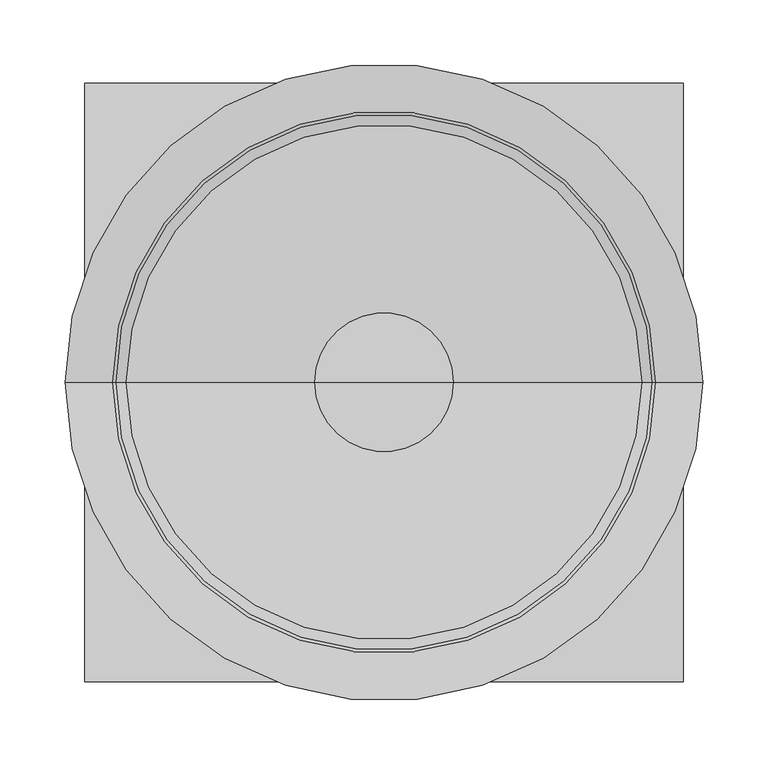
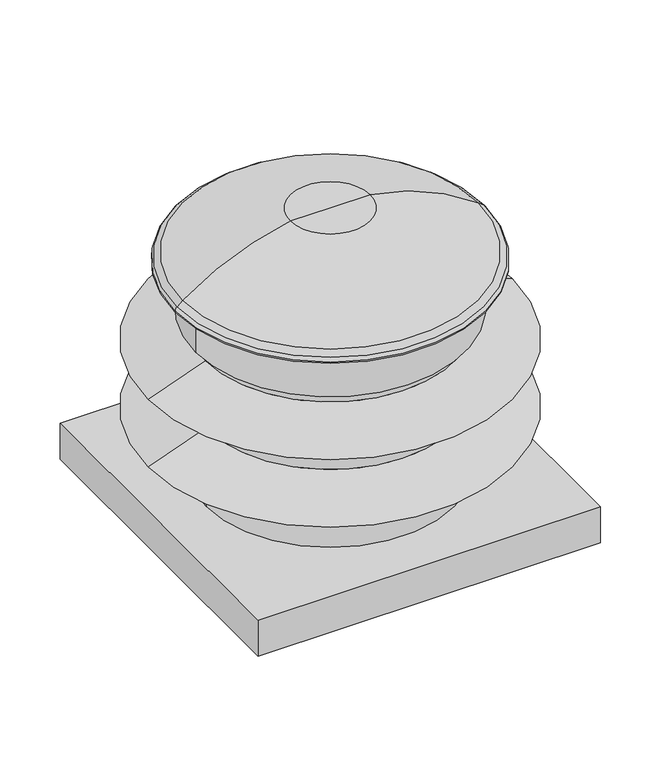
"""IFC4 building model written with IfcOpenShell, lengths in millimetres: proxy geometry."""

from ifc_helpers import new_model, si_unit, point, frame, origin, origin_with_axes, origin_2d, place, context, project, spatial, polyline, circle_curve, ellipse_curve, trimmed, segment, composite_curve, outline, extrude, source, transform, mapped, element, save
from ifc_brep_helpers import plane_surface, cylinder_surface, revolved_surface, advanced_brep


def generic_models_94002e76(model_context):
    return source(origin(), model_context, "Body", "SolidModel", [
        extrude(outline(composite_curve([segment(trimmed(circle_curve(origin_2d(), 88.9), [point((-88.9, 0.0))], [point((88.9, 0.0))], False, "CARTESIAN"), True, "CONTINUOUS"), segment(trimmed(circle_curve(origin_2d(), 88.9), [point((88.9, 0.0))], [point((-88.9, 0.0))], False, "CARTESIAN"), True, "CONTINUOUS")], self_intersect=False)), frame((0.0, 0.0, -43.0869459), z_axis=(0.0, 0.0, 1.0), x_axis=(1.0, 0.0, 0.0)), (0.0, 0.0, 1.0), 43.0869459),
        extrude(outline(composite_curve([segment(trimmed(circle_curve(origin_2d(), 50.8), [point((-50.8, 0.0))], [point((50.8, 0.0))], False, "CARTESIAN"), True, "CONTINUOUS"), segment(trimmed(circle_curve(origin_2d(), 50.8), [point((50.8, 0.0))], [point((-50.8, 0.0))], False, "CARTESIAN"), True, "CONTINUOUS")], self_intersect=False)), frame((0.0, 0.0, -83.4032796), z_axis=(0.0, 0.0, 1.0), x_axis=(1.0, 0.0, 0.0)), (0.0, 0.0, 1.0), 40.3163337),
        advanced_brep(
        [(0.0, 0.0, 50.8), (-165.8573818, 0.0, 50.8), (165.8573818, 0.0, 50.8), (52.876521, 0.0, 413.3707091), (-52.876521, 0.0, 413.3707091), (0.0, 0.0, 413.3707091), (196.7443577, 0.0, 351.903134), (-196.7443577, 0.0, 351.903134), (204.6270341, 0.0, 345.779513), (-204.6270341, 0.0, 345.779513), (207.0053818, 0.0, 340.8248709), (-207.0053818, 0.0, 340.8248709), (207.0053818, 0.0, 338.9048632), (-207.0053818, 0.0, 338.9048632), (179.4452476, 0.0, 338.9048632), (-179.4452476, 0.0, 338.9048632), (179.4452476, 0.0, 272.5856917), (-179.4452476, 0.0, 272.5856917), (166.684502, 0.0, 272.5856917), (-166.684502, 0.0, 272.5856917), (166.684502, 0.0, 256.391543), (-166.684502, 0.0, 256.391543), (243.2625378, 0.0, 228.5194174), (-243.2625378, 0.0, 228.5194174), (166.8733813, 0.0, 228.5194174), (-166.8733813, 0.0, 228.5194174), (166.8733813, 0.0, 161.2125596), (-166.8733813, 0.0, 161.2125596), (243.2627014, 0.0, 133.4091209), (-243.2627014, 0.0, 133.4091209), (165.8573818, 0.0, 133.4091209), (-165.8573818, 0.0, 133.4091209)],
        [
            (0, 1),
            (1, 2, circle_curve(frame((0.0, 0.0, 50.8), z_axis=(0.0, 0.0, -1.0), x_axis=(-1.0, 0.0, 0.0)), 165.8573818)),
            (2, 0),
            (2, 1, circle_curve(frame((0.0, 0.0, 50.8), z_axis=(0.0, 0.0, -1.0), x_axis=(-1.0, 0.0, 0.0)), 165.8573818)),
            (3, 4, circle_curve(frame((0.0, 0.0, 413.3707091), z_axis=(0.0, 0.0, 1.0), x_axis=(-1.0, 0.0, 0.0)), 52.876521)),
            (4, 5),
            (5, 3),
            (4, 3, circle_curve(frame((0.0, 0.0, 413.3707091), z_axis=(0.0, 0.0, 1.0), x_axis=(-1.0, 0.0, 0.0)), 52.876521)),
            (6, 7, circle_curve(frame((0.0, 0.0, 351.903134), z_axis=(0.0, 0.0, 1.0), x_axis=(-1.0, 0.0, 0.0)), 196.7443577)),
            (7, 4, circle_curve(frame((0.0046182, 0.0, 90.5012337), z_axis=(0.0, 1.0, 0.0), x_axis=(1.0, 0.0, 0.0)), 327.1713817)),
            (3, 6, circle_curve(frame((-0.0046182, 0.0, 90.5012337), z_axis=(0.0, 1.0, 0.0), x_axis=(-1.0, 0.0, 0.0)), 327.1713817)),
            (7, 6, circle_curve(frame((0.0, 0.0, 351.903134), z_axis=(0.0, 0.0, 1.0), x_axis=(-1.0, 0.0, 0.0)), 196.7443577)),
            (8, 9, circle_curve(frame((0.0, 0.0, 345.779513), z_axis=(0.0, 0.0, 1.0), x_axis=(-1.0, 0.0, 0.0)), 204.6270341)),
            (9, 7, circle_curve(frame((0.0046182, 0.0, 90.5012337), z_axis=(0.0, 1.0, 0.0), x_axis=(1.0, 0.0, 0.0)), 327.1713817)),
            (6, 8, circle_curve(frame((-0.0046182, 0.0, 90.5012337), z_axis=(0.0, 1.0, 0.0), x_axis=(-1.0, 0.0, 0.0)), 327.1713817)),
            (9, 8, circle_curve(frame((0.0, 0.0, 345.779513), z_axis=(0.0, 0.0, 1.0), x_axis=(-1.0, 0.0, 0.0)), 204.6270341)),
            (10, 11, circle_curve(frame((0.0, 0.0, 340.8248709), z_axis=(0.0, 0.0, 1.0), x_axis=(-1.0, 0.0, 0.0)), 207.0053818)),
            (11, 9, circle_curve(frame((-200.6553818, 0.0, 340.8248709), z_axis=(0.0, 1.0, 0.0), x_axis=(1.0, 0.0, 0.0)), 6.35)),
            (8, 10, circle_curve(frame((200.6553818, 0.0, 340.8248709), z_axis=(0.0, 1.0, 0.0), x_axis=(-1.0, 0.0, 0.0)), 6.35)),
            (11, 10, circle_curve(frame((0.0, 0.0, 340.8248709), z_axis=(0.0, 0.0, 1.0), x_axis=(-1.0, 0.0, 0.0)), 207.0053818)),
            (12, 13, circle_curve(frame((0.0, 0.0, 338.9048632), z_axis=(0.0, 0.0, 1.0), x_axis=(-1.0, 0.0, 0.0)), 207.0053818)),
            (13, 11),
            (10, 12),
            (13, 12, circle_curve(frame((0.0, 0.0, 338.9048632), z_axis=(0.0, 0.0, 1.0), x_axis=(-1.0, 0.0, 0.0)), 207.0053818)),
            (14, 15, circle_curve(frame((0.0, 0.0, 338.9048632), z_axis=(0.0, 0.0, 1.0), x_axis=(-1.0, 0.0, 0.0)), 179.4452476)),
            (15, 13),
            (12, 14),
            (15, 14, circle_curve(frame((0.0, 0.0, 338.9048632), z_axis=(0.0, 0.0, 1.0), x_axis=(-1.0, 0.0, 0.0)), 179.4452476)),
            (16, 17, circle_curve(frame((0.0, 0.0, 272.5856917), z_axis=(0.0, 0.0, 1.0), x_axis=(-1.0, 0.0, 0.0)), 179.4452476)),
            (17, 15),
            (14, 16),
            (17, 16, circle_curve(frame((0.0, 0.0, 272.5856917), z_axis=(0.0, 0.0, 1.0), x_axis=(-1.0, 0.0, 0.0)), 179.4452476)),
            (18, 19, circle_curve(frame((0.0, 0.0, 272.5856917), z_axis=(0.0, 0.0, 1.0), x_axis=(-1.0, 0.0, 0.0)), 166.684502)),
            (19, 17),
            (16, 18),
            (19, 18, circle_curve(frame((0.0, 0.0, 272.5856917), z_axis=(0.0, 0.0, 1.0), x_axis=(-1.0, 0.0, 0.0)), 166.684502)),
            (20, 21, circle_curve(frame((0.0, 0.0, 256.391543), z_axis=(0.0, 0.0, 1.0), x_axis=(-1.0, 0.0, 0.0)), 166.684502)),
            (21, 19),
            (18, 20),
            (21, 20, circle_curve(frame((0.0, 0.0, 256.391543), z_axis=(0.0, 0.0, 1.0), x_axis=(-1.0, 0.0, 0.0)), 166.684502)),
            (22, 23, circle_curve(frame((0.0, 0.0, 228.5194174), z_axis=(0.0, 0.0, 1.0), x_axis=(-1.0, 0.0, 0.0)), 243.2625378)),
            (23, 21),
            (20, 22),
            (23, 22, circle_curve(frame((0.0, 0.0, 228.5194174), z_axis=(0.0, 0.0, 1.0), x_axis=(-1.0, 0.0, 0.0)), 243.2625378)),
            (24, 25, circle_curve(frame((0.0, 0.0, 228.5194174), z_axis=(0.0, 0.0, 1.0), x_axis=(-1.0, 0.0, 0.0)), 166.8733813)),
            (25, 23),
            (22, 24),
            (25, 24, circle_curve(frame((0.0, 0.0, 228.5194174), z_axis=(0.0, 0.0, 1.0), x_axis=(-1.0, 0.0, 0.0)), 166.8733813)),
            (26, 27, circle_curve(frame((0.0, 0.0, 161.2125596), z_axis=(0.0, 0.0, 1.0), x_axis=(-1.0, 0.0, 0.0)), 166.8733813)),
            (27, 25),
            (24, 26),
            (27, 26, circle_curve(frame((0.0, 0.0, 161.2125596), z_axis=(0.0, 0.0, 1.0), x_axis=(-1.0, 0.0, 0.0)), 166.8733813)),
            (28, 29, circle_curve(frame((0.0, 0.0, 133.4091209), z_axis=(0.0, 0.0, 1.0), x_axis=(-1.0, 0.0, 0.0)), 243.2627014)),
            (29, 27),
            (26, 28),
            (29, 28, circle_curve(frame((0.0, 0.0, 133.4091209), z_axis=(0.0, 0.0, 1.0), x_axis=(-1.0, 0.0, 0.0)), 243.2627014)),
            (30, 31, circle_curve(frame((0.0, 0.0, 133.4091209), z_axis=(0.0, 0.0, 1.0), x_axis=(-1.0, 0.0, 0.0)), 165.8573818)),
            (31, 29),
            (28, 30),
            (31, 30, circle_curve(frame((0.0, 0.0, 133.4091209), z_axis=(0.0, 0.0, 1.0), x_axis=(-1.0, 0.0, 0.0)), 165.8573818)),
            (1, 31),
            (30, 2),
        ],
        [
            plane_surface(frame((0.0, 0.0, 50.8), z_axis=(0.0, 0.0, -1.0), x_axis=(-1.0, 0.0, 0.0))),
            plane_surface(frame((0.0, 0.0, 413.3707091), z_axis=(0.0, 0.0, 1.0), x_axis=(-1.0, 0.0, 0.0))),
            revolved_surface(trimmed(ellipse_curve(frame((0.0046182, 0.0, 90.5012337), z_axis=(0.0, -1.0, 0.0), x_axis=(1.0, 0.0, 0.0)), 327.1713817, 327.1713817), [point((-52.876521, 0.0, 413.3707091))], [point((-196.7443577, 0.0, 351.903134))], True, "CARTESIAN"), (0.0, 0.0, 457.2), (0.0, 0.0, -1.0)),
            revolved_surface(trimmed(ellipse_curve(frame((0.0046182, 0.0, 90.5012337), z_axis=(0.0, -1.0, 0.0), x_axis=(1.0, 0.0, 0.0)), 327.1713817, 327.1713817), [point((-196.7443577, 0.0, 351.903134))], [point((-204.6270341, 0.0, 345.779513))], True, "CARTESIAN"), (0.0, 0.0, 457.2), (0.0, 0.0, -1.0)),
            revolved_surface(trimmed(ellipse_curve(frame((-200.6553818, 0.0, 340.8248709), z_axis=(0.0, -1.0, 0.0), x_axis=(1.0, 0.0, 0.0)), 6.35, 6.35), [point((-204.6270341, 0.0, 345.779513))], [point((-207.0053818, 0.0, 340.8248709))], True, "CARTESIAN"), (0.0, 0.0, 457.2), (0.0, 0.0, -1.0)),
            cylinder_surface(frame((0.0, 0.0, 457.2), z_axis=(0.0, 0.0, -1.0), x_axis=(-1.0, 0.0, 0.0)), 207.0053818),
            plane_surface(frame((0.0, 0.0, 338.9048632), z_axis=(0.0, 0.0, -1.0), x_axis=(-1.0, 0.0, 0.0))),
            cylinder_surface(frame((0.0, 0.0, 457.2), z_axis=(0.0, 0.0, -1.0), x_axis=(-1.0, 0.0, 0.0)), 179.4452476),
            plane_surface(frame((0.0, 0.0, 272.5856917), z_axis=(0.0, 0.0, -1.0), x_axis=(-1.0, 0.0, 0.0))),
            cylinder_surface(frame((0.0, 0.0, 457.2), z_axis=(0.0, 0.0, -1.0), x_axis=(-1.0, 0.0, 0.0)), 166.684502),
            revolved_surface(polyline([(-166.684502, 0.0, 256.391543), (-243.2625378, 0.0, 228.5194174)]), (0.0, 0.0, 457.2), (0.0, 0.0, -1.0)),
            plane_surface(frame((0.0, 0.0, 228.5194174), z_axis=(0.0, 0.0, -1.0), x_axis=(-1.0, 0.0, 0.0))),
            cylinder_surface(frame((0.0, 0.0, 457.2), z_axis=(0.0, 0.0, -1.0), x_axis=(-1.0, 0.0, 0.0)), 166.8733813),
            revolved_surface(polyline([(-166.8733813, 0.0, 161.2125596), (-243.2627014, 0.0, 133.4091209)]), (0.0, 0.0, 457.2), (0.0, 0.0, -1.0)),
            plane_surface(frame((0.0, 0.0, 133.4091209), z_axis=(0.0, 0.0, -1.0), x_axis=(-1.0, 0.0, 0.0))),
            cylinder_surface(frame((0.0, 0.0, 457.2), z_axis=(0.0, 0.0, -1.0), x_axis=(-1.0, 0.0, 0.0)), 165.8573818),
        ],
        [
            (0, [[1, 2, 3]]),
            (0, [[-3, 4, -1]]),
            (1, [[5, 6, 7]]),
            (1, [[8, -7, -6]]),
            (2, [[9, 10, -5, 11]]),
            (2, [[12, -11, -8, -10]]),
            (3, [[13, 14, -9, 15]]),
            (3, [[16, -15, -12, -14]]),
            (4, [[17, 18, -13, 19]]),
            (4, [[20, -19, -16, -18]]),
            (5, [[21, 22, -17, 23]]),
            (5, [[24, -23, -20, -22]]),
            (6, [[25, 26, -21, 27]]),
            (6, [[28, -27, -24, -26]]),
            (7, [[29, 30, -25, 31]]),
            (7, [[32, -31, -28, -30]]),
            (8, [[33, 34, -29, 35]]),
            (8, [[36, -35, -32, -34]]),
            (9, [[37, 38, -33, 39]]),
            (9, [[40, -39, -36, -38]]),
            (10, [[41, 42, -37, 43]]),
            (10, [[44, -43, -40, -42]]),
            (11, [[45, 46, -41, 47]]),
            (11, [[48, -47, -44, -46]]),
            (12, [[49, 50, -45, 51]]),
            (12, [[52, -51, -48, -50]]),
            (13, [[53, 54, -49, 55]]),
            (13, [[56, -55, -52, -54]]),
            (14, [[57, 58, -53, 59]]),
            (14, [[60, -59, -56, -58]]),
            (15, [[-2, 61, -57, 62]]),
            (15, [[-4, -62, -60, -61]]),
        ],
    ),
        extrude(outline(polyline([(228.6, 228.6), (228.6, -228.6), (-228.6, -228.6), (-228.6, 228.6), (228.6, 228.6)])), origin_with_axes(), (0.0, 0.0, 1.0), 50.8),
    ])


if __name__ == "__main__":
    model = new_model("IFC4")
    model_context = context("Model", 3, world=origin())
    ifc_project = project(units=[si_unit("LENGTHUNIT", "METRE", prefix="MILLI")], contexts=[model_context])
    site = spatial("IfcSite", under=ifc_project)
    building = spatial("IfcBuilding", under=site)
    placement = place(None, origin())
    generic_models_shape = generic_models_94002e76(model_context)
    element("IfcBuildingElementProxy", 1, Name="Generic Models", at=placement, inside=building, context=model_context, shape_type="MappedRepresentation", body=[
        mapped(generic_models_shape, transform((0.0, 0.0, 0.0), x_axis=(1.0, 0.0, 0.0), y_axis=(0.0, 1.0, 0.0), z_axis=(0.0, 0.0, 1.0))),
    ])
    save(model, "model.ifc")
